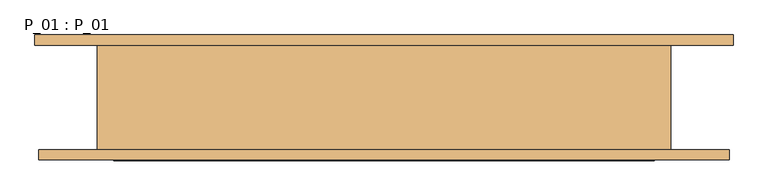
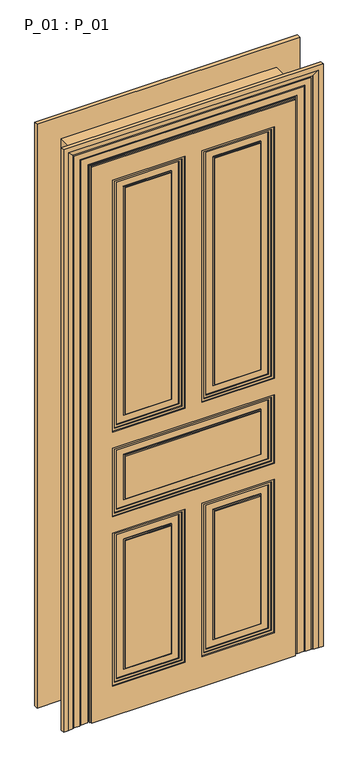
"""IFC4 building model written with IfcOpenShell, lengths in millimetres: door geometry, P_01 : P_01."""

from ifc_helpers import new_model, si_unit, frame, origin, origin_with_axes, place, context, project, spatial, polyline, outline, extrude, faceted_brep, source, transform, mapped, element, save


def p_01_p_01_1a540cf4(model_context):
    return source(origin(), model_context, "Body", "SolidModel", [
        extrude(outline(polyline([(2300.0, 45.0), (1235.0, 45.0), (1235.0, 320.0), (2300.0, 320.0), (2300.0, 45.0)]), holes=[polyline([(2290.0, 55.0), (2290.0, 310.0), (1245.0, 310.0), (1245.0, 55.0), (2290.0, 55.0)])]), frame((0.0, -75.0, 0.0), z_axis=(0.0, 1.0, 0.0), x_axis=(0.0, 0.0, 1.0)), (0.0, 0.0, 1.0), 4.0),
        extrude(outline(polyline([(2300.0, -320.0), (1235.0, -320.0), (1235.0, -45.0), (2300.0, -45.0), (2300.0, -320.0)]), holes=[polyline([(2290.0, -310.0), (2290.0, -55.0), (1245.0, -55.0), (1245.0, -310.0), (2290.0, -310.0)])]), frame((0.0, -75.0, 0.0), z_axis=(0.0, 1.0, 0.0), x_axis=(0.0, 0.0, 1.0)), (0.0, 0.0, 1.0), 4.0),
        extrude(outline(polyline([(780.0, 45.0), (140.0, 45.0), (140.0, 320.0), (780.0, 320.0), (780.0, 45.0)]), holes=[polyline([(770.0, 55.0), (770.0, 310.0), (150.0, 310.0), (150.0, 55.0), (770.0, 55.0)])]), frame((0.0, -75.0, 0.0), z_axis=(0.0, 1.0, 0.0), x_axis=(0.0, 0.0, 1.0)), (0.0, 0.0, 1.0), 4.0),
        extrude(outline(polyline([(780.0, -320.0), (140.0, -320.0), (140.0, -45.0), (780.0, -45.0), (780.0, -320.0)]), holes=[polyline([(770.0, -310.0), (770.0, -55.0), (150.0, -55.0), (150.0, -310.0), (770.0, -310.0)])]), frame((0.0, -75.0, 0.0), z_axis=(0.0, 1.0, 0.0), x_axis=(0.0, 0.0, 1.0)), (0.0, 0.0, 1.0), 4.0),
        extrude(outline(polyline([(740.0, 85.0), (180.0, 85.0), (180.0, 280.0), (740.0, 280.0), (740.0, 85.0)]), holes=[polyline([(735.0, 90.0), (735.0, 275.0), (185.0, 275.0), (185.0, 90.0), (735.0, 90.0)])]), frame((0.0, -75.0, 0.0), z_axis=(0.0, 1.0, 0.0), x_axis=(0.0, 0.0, 1.0)), (0.0, 0.0, 1.0), 4.0),
        extrude(outline(polyline([(740.0, -280.0), (180.0, -280.0), (180.0, -85.0), (740.0, -85.0), (740.0, -280.0)]), holes=[polyline([(735.0, -275.0), (735.0, -90.0), (185.0, -90.0), (185.0, -275.0), (735.0, -275.0)])]), frame((0.0, -75.0, 0.0), z_axis=(0.0, 1.0, 0.0), x_axis=(0.0, 0.0, 1.0)), (0.0, 0.0, 1.0), 4.0),
        extrude(outline(polyline([(1145.0, -320.0), (870.0, -320.0), (870.0, 320.0), (1145.0, 320.0), (1145.0, -320.0)]), holes=[polyline([(1135.0, -310.0), (1135.0, 310.0), (880.0, 310.0), (880.0, -310.0), (1135.0, -310.0)])]), frame((0.0, -75.0, 0.0), z_axis=(0.0, 1.0, 0.0), x_axis=(0.0, 0.0, 1.0)), (0.0, 0.0, 1.0), 4.0),
        extrude(outline(polyline([(1105.0, -280.0), (910.0, -280.0), (910.0, 280.0), (1105.0, 280.0), (1105.0, -280.0)]), holes=[polyline([(1100.0, -275.0), (1100.0, 275.0), (915.0, 275.0), (915.0, -275.0), (1100.0, -275.0)])]), frame((0.0, -75.0, 0.0), z_axis=(0.0, 1.0, 0.0), x_axis=(0.0, 0.0, 1.0)), (0.0, 0.0, 1.0), 4.0),
        extrude(outline(polyline([(2260.0, 85.0), (1275.0, 85.0), (1275.0, 280.0), (2260.0, 280.0), (2260.0, 85.0)]), holes=[polyline([(2255.0, 90.0), (2255.0, 275.0), (1280.0, 275.0), (1280.0, 90.0), (2255.0, 90.0)])]), frame((0.0, -75.0, 0.0), z_axis=(0.0, 1.0, 0.0), x_axis=(0.0, 0.0, 1.0)), (0.0, 0.0, 1.0), 4.0),
        extrude(outline(polyline([(1275.0, -280.0), (1275.0, -85.0), (2260.0, -85.0), (2260.0, -280.0), (1275.0, -280.0)]), holes=[polyline([(1280.0, -275.0), (2255.0, -275.0), (2255.0, -90.0), (1280.0, -90.0), (1280.0, -275.0)])]), frame((0.0, -75.0, 0.0), z_axis=(0.0, 1.0, 0.0), x_axis=(0.0, 0.0, 1.0)), (0.0, 0.0, 1.0), 4.0),
        extrude(outline(polyline([(90.0, -75.0), (90.0, -67.0), (275.0, -67.0), (275.0, -75.0), (90.0, -75.0)])), frame((0.0, 0.0, 185.0), z_axis=(0.0, 0.0, 1.0), x_axis=(1.0, 0.0, 0.0)), (0.0, 0.0, 1.0), 550.0),
        extrude(outline(polyline([(-275.0, -75.0), (-275.0, -67.0), (-90.0, -67.0), (-90.0, -75.0), (-275.0, -75.0)])), frame((0.0, 0.0, 185.0), z_axis=(0.0, 0.0, 1.0), x_axis=(1.0, 0.0, 0.0)), (0.0, 0.0, 1.0), 550.0),
        extrude(outline(polyline([(-275.0, -75.0), (-275.0, -67.0), (275.0, -67.0), (275.0, -75.0), (-275.0, -75.0)])), frame((0.0, 0.0, 915.0), z_axis=(0.0, 0.0, 1.0), x_axis=(1.0, 0.0, 0.0)), (0.0, 0.0, 1.0), 185.0),
        extrude(outline(polyline([(90.0, -75.0), (90.0, -67.0), (275.0, -67.0), (275.0, -75.0), (90.0, -75.0)])), frame((0.0, 0.0, 1280.0), z_axis=(0.0, 0.0, 1.0), x_axis=(1.0, 0.0, 0.0)), (0.0, 0.0, 1.0), 975.0),
        extrude(outline(polyline([(-275.0, -75.0), (-275.0, -67.0), (-90.0, -67.0), (-90.0, -75.0), (-275.0, -75.0)])), frame((0.0, 0.0, 1280.0), z_axis=(0.0, 0.0, 1.0), x_axis=(1.0, 0.0, 0.0)), (0.0, 0.0, 1.0), 975.0),
        extrude(outline(polyline([(2310.0, -35.0), (2310.0, -330.0), (1225.0, -330.0), (1225.0, -35.0), (2310.0, -35.0)]), holes=[polyline([(2300.0, -320.0), (2300.0, -45.0), (1235.0, -45.0), (1235.0, -320.0), (2300.0, -320.0)])]), frame((0.0, -75.0, 0.0), z_axis=(0.0, 1.0, 0.0), x_axis=(0.0, 0.0, 1.0)), (0.0, 0.0, 1.0), 8.0),
        extrude(outline(polyline([(1225.0, 330.0), (2310.0, 330.0), (2310.0, 35.0), (1225.0, 35.0), (1225.0, 330.0)]), holes=[polyline([(2300.0, 45.0), (2300.0, 320.0), (1235.0, 320.0), (1235.0, 45.0), (2300.0, 45.0)])]), frame((0.0, -75.0, 0.0), z_axis=(0.0, 1.0, 0.0), x_axis=(0.0, 0.0, 1.0)), (0.0, 0.0, 1.0), 8.0),
        extrude(outline(polyline([(790.0, -330.0), (130.0, -330.0), (130.0, -35.0), (790.0, -35.0), (790.0, -330.0)]), holes=[polyline([(780.0, -320.0), (780.0, -45.0), (140.0, -45.0), (140.0, -320.0), (780.0, -320.0)])]), frame((0.0, -75.0, 0.0), z_axis=(0.0, 1.0, 0.0), x_axis=(0.0, 0.0, 1.0)), (0.0, 0.0, 1.0), 8.0),
        extrude(outline(polyline([(130.0, 330.0), (790.0, 330.0), (790.0, 35.0), (130.0, 35.0), (130.0, 330.0)]), holes=[polyline([(780.0, 45.0), (780.0, 320.0), (140.0, 320.0), (140.0, 45.0), (780.0, 45.0)])]), frame((0.0, -75.0, 0.0), z_axis=(0.0, 1.0, 0.0), x_axis=(0.0, 0.0, 1.0)), (0.0, 0.0, 1.0), 8.0),
        extrude(outline(polyline([(1155.0, -330.0), (860.0, -330.0), (860.0, 330.0), (1155.0, 330.0), (1155.0, -330.0)]), holes=[polyline([(1145.0, -320.0), (1145.0, 320.0), (870.0, 320.0), (870.0, -320.0), (1145.0, -320.0)])]), frame((0.0, -75.0, 0.0), z_axis=(0.0, 1.0, 0.0), x_axis=(0.0, 0.0, 1.0)), (0.0, 0.0, 1.0), 8.0),
        extrude(outline(polyline([(0.0, 415.0), (2395.0, 415.0), (2395.0, -415.0), (0.0, -415.0), (0.0, 415.0)]), holes=[polyline([(1225.0, -35.0), (1225.0, -330.0), (2310.0, -330.0), (2310.0, -35.0), (1225.0, -35.0)]), polyline([(790.0, -35.0), (130.0, -35.0), (130.0, -330.0), (790.0, -330.0), (790.0, -35.0)]), polyline([(1225.0, 35.0), (2310.0, 35.0), (2310.0, 330.0), (1225.0, 330.0), (1225.0, 35.0)]), polyline([(130.0, 35.0), (790.0, 35.0), (790.0, 330.0), (130.0, 330.0), (130.0, 35.0)]), polyline([(1155.0, 330.0), (860.0, 330.0), (860.0, -330.0), (1155.0, -330.0), (1155.0, 330.0)])]), frame((0.0, -75.0, 0.0), z_axis=(0.0, 1.0, 0.0), x_axis=(0.0, 0.0, 1.0)), (0.0, 0.0, 1.0), 12.0),
        extrude(outline(polyline([(275.0, -85.0), (275.0, -93.0), (90.0, -93.0), (90.0, -85.0), (275.0, -85.0)])), frame((0.0, 0.0, 185.0), z_axis=(0.0, 0.0, 1.0), x_axis=(1.0, 0.0, 0.0)), (0.0, 0.0, 1.0), 550.0),
        extrude(outline(polyline([(-90.0, -85.0), (-90.0, -93.0), (-275.0, -93.0), (-275.0, -85.0), (-90.0, -85.0)])), frame((0.0, 0.0, 185.0), z_axis=(0.0, 0.0, 1.0), x_axis=(1.0, 0.0, 0.0)), (0.0, 0.0, 1.0), 550.0),
        extrude(outline(polyline([(275.0, -85.0), (275.0, -93.0), (-275.0, -93.0), (-275.0, -85.0), (275.0, -85.0)])), frame((0.0, 0.0, 915.0), z_axis=(0.0, 0.0, 1.0), x_axis=(1.0, 0.0, 0.0)), (0.0, 0.0, 1.0), 185.0),
        extrude(outline(polyline([(275.0, -85.0), (275.0, -93.0), (90.0, -93.0), (90.0, -85.0), (275.0, -85.0)])), frame((0.0, 0.0, 1280.0), z_axis=(0.0, 0.0, 1.0), x_axis=(1.0, 0.0, 0.0)), (0.0, 0.0, 1.0), 975.0),
        extrude(outline(polyline([(-90.0, -85.0), (-90.0, -93.0), (-275.0, -93.0), (-275.0, -85.0), (-90.0, -85.0)])), frame((0.0, 0.0, 1280.0), z_axis=(0.0, 0.0, 1.0), x_axis=(1.0, 0.0, 0.0)), (0.0, 0.0, 1.0), 975.0),
        extrude(outline(polyline([(420.0, -75.0), (420.0, -85.0), (-420.0, -85.0), (-420.0, -75.0), (420.0, -75.0)])), origin_with_axes(), (0.0, 0.0, 1.0), 2400.0),
        extrude(outline(polyline([(2300.0, 45.0), (1235.0, 45.0), (1235.0, 320.0), (2300.0, 320.0), (2300.0, 45.0)]), holes=[polyline([(2290.0, 55.0), (2290.0, 310.0), (1245.0, 310.0), (1245.0, 55.0), (2290.0, 55.0)])]), frame((0.0, -89.0, 0.0), z_axis=(0.0, 1.0, 0.0), x_axis=(0.0, 0.0, 1.0)), (0.0, 0.0, 1.0), 4.0),
        extrude(outline(polyline([(2300.0, -320.0), (1235.0, -320.0), (1235.0, -45.0), (2300.0, -45.0), (2300.0, -320.0)]), holes=[polyline([(2290.0, -310.0), (2290.0, -55.0), (1245.0, -55.0), (1245.0, -310.0), (2290.0, -310.0)])]), frame((0.0, -89.0, 0.0), z_axis=(0.0, 1.0, 0.0), x_axis=(0.0, 0.0, 1.0)), (0.0, 0.0, 1.0), 4.0),
        extrude(outline(polyline([(780.0, 45.0), (140.0, 45.0), (140.0, 320.0), (780.0, 320.0), (780.0, 45.0)]), holes=[polyline([(770.0, 55.0), (770.0, 310.0), (150.0, 310.0), (150.0, 55.0), (770.0, 55.0)])]), frame((0.0, -89.0, 0.0), z_axis=(0.0, 1.0, 0.0), x_axis=(0.0, 0.0, 1.0)), (0.0, 0.0, 1.0), 4.0),
        extrude(outline(polyline([(780.0, -320.0), (140.0, -320.0), (140.0, -45.0), (780.0, -45.0), (780.0, -320.0)]), holes=[polyline([(770.0, -310.0), (770.0, -55.0), (150.0, -55.0), (150.0, -310.0), (770.0, -310.0)])]), frame((0.0, -89.0, 0.0), z_axis=(0.0, 1.0, 0.0), x_axis=(0.0, 0.0, 1.0)), (0.0, 0.0, 1.0), 4.0),
        extrude(outline(polyline([(740.0, 85.0), (180.0, 85.0), (180.0, 280.0), (740.0, 280.0), (740.0, 85.0)]), holes=[polyline([(735.0, 90.0), (735.0, 275.0), (185.0, 275.0), (185.0, 90.0), (735.0, 90.0)])]), frame((0.0, -89.0, 0.0), z_axis=(0.0, 1.0, 0.0), x_axis=(0.0, 0.0, 1.0)), (0.0, 0.0, 1.0), 4.0),
        extrude(outline(polyline([(740.0, -280.0), (180.0, -280.0), (180.0, -85.0), (740.0, -85.0), (740.0, -280.0)]), holes=[polyline([(735.0, -275.0), (735.0, -90.0), (185.0, -90.0), (185.0, -275.0), (735.0, -275.0)])]), frame((0.0, -89.0, 0.0), z_axis=(0.0, 1.0, 0.0), x_axis=(0.0, 0.0, 1.0)), (0.0, 0.0, 1.0), 4.0),
        extrude(outline(polyline([(1145.0, -320.0), (870.0, -320.0), (870.0, 320.0), (1145.0, 320.0), (1145.0, -320.0)]), holes=[polyline([(1135.0, -310.0), (1135.0, 310.0), (880.0, 310.0), (880.0, -310.0), (1135.0, -310.0)])]), frame((0.0, -89.0, 0.0), z_axis=(0.0, 1.0, 0.0), x_axis=(0.0, 0.0, 1.0)), (0.0, 0.0, 1.0), 4.0),
        extrude(outline(polyline([(1105.0, -280.0), (910.0, -280.0), (910.0, 280.0), (1105.0, 280.0), (1105.0, -280.0)]), holes=[polyline([(1100.0, -275.0), (1100.0, 275.0), (915.0, 275.0), (915.0, -275.0), (1100.0, -275.0)])]), frame((0.0, -89.0, 0.0), z_axis=(0.0, 1.0, 0.0), x_axis=(0.0, 0.0, 1.0)), (0.0, 0.0, 1.0), 4.0),
        extrude(outline(polyline([(2260.0, 85.0), (1275.0, 85.0), (1275.0, 280.0), (2260.0, 280.0), (2260.0, 85.0)]), holes=[polyline([(2255.0, 90.0), (2255.0, 275.0), (1280.0, 275.0), (1280.0, 90.0), (2255.0, 90.0)])]), frame((0.0, -89.0, 0.0), z_axis=(0.0, 1.0, 0.0), x_axis=(0.0, 0.0, 1.0)), (0.0, 0.0, 1.0), 4.0),
        extrude(outline(polyline([(1275.0, -280.0), (1275.0, -85.0), (2260.0, -85.0), (2260.0, -280.0), (1275.0, -280.0)]), holes=[polyline([(1280.0, -275.0), (2255.0, -275.0), (2255.0, -90.0), (1280.0, -90.0), (1280.0, -275.0)])]), frame((0.0, -89.0, 0.0), z_axis=(0.0, 1.0, 0.0), x_axis=(0.0, 0.0, 1.0)), (0.0, 0.0, 1.0), 4.0),
        extrude(outline(polyline([(2310.0, -35.0), (2310.0, -330.0), (1225.0, -330.0), (1225.0, -35.0), (2310.0, -35.0)]), holes=[polyline([(2300.0, -320.0), (2300.0, -45.0), (1235.0, -45.0), (1235.0, -320.0), (2300.0, -320.0)])]), frame((0.0, -93.0, 0.0), z_axis=(0.0, 1.0, 0.0), x_axis=(0.0, 0.0, 1.0)), (0.0, 0.0, 1.0), 8.0),
        extrude(outline(polyline([(1225.0, 330.0), (2310.0, 330.0), (2310.0, 35.0), (1225.0, 35.0), (1225.0, 330.0)]), holes=[polyline([(2300.0, 45.0), (2300.0, 320.0), (1235.0, 320.0), (1235.0, 45.0), (2300.0, 45.0)])]), frame((0.0, -93.0, 0.0), z_axis=(0.0, 1.0, 0.0), x_axis=(0.0, 0.0, 1.0)), (0.0, 0.0, 1.0), 8.0),
        extrude(outline(polyline([(790.0, -330.0), (130.0, -330.0), (130.0, -35.0), (790.0, -35.0), (790.0, -330.0)]), holes=[polyline([(780.0, -320.0), (780.0, -45.0), (140.0, -45.0), (140.0, -320.0), (780.0, -320.0)])]), frame((0.0, -93.0, 0.0), z_axis=(0.0, 1.0, 0.0), x_axis=(0.0, 0.0, 1.0)), (0.0, 0.0, 1.0), 8.0),
        extrude(outline(polyline([(130.0, 330.0), (790.0, 330.0), (790.0, 35.0), (130.0, 35.0), (130.0, 330.0)]), holes=[polyline([(780.0, 45.0), (780.0, 320.0), (140.0, 320.0), (140.0, 45.0), (780.0, 45.0)])]), frame((0.0, -93.0, 0.0), z_axis=(0.0, 1.0, 0.0), x_axis=(0.0, 0.0, 1.0)), (0.0, 0.0, 1.0), 8.0),
        extrude(outline(polyline([(1155.0, -330.0), (860.0, -330.0), (860.0, 330.0), (1155.0, 330.0), (1155.0, -330.0)]), holes=[polyline([(1145.0, -320.0), (1145.0, 320.0), (870.0, 320.0), (870.0, -320.0), (1145.0, -320.0)])]), frame((0.0, -93.0, 0.0), z_axis=(0.0, 1.0, 0.0), x_axis=(0.0, 0.0, 1.0)), (0.0, 0.0, 1.0), 8.0),
        extrude(outline(polyline([(0.0, 415.0), (2395.0, 415.0), (2395.0, -415.0), (0.0, -415.0), (0.0, 415.0)]), holes=[polyline([(1225.0, -35.0), (1225.0, -330.0), (2310.0, -330.0), (2310.0, -35.0), (1225.0, -35.0)]), polyline([(790.0, -35.0), (130.0, -35.0), (130.0, -330.0), (790.0, -330.0), (790.0, -35.0)]), polyline([(1225.0, 35.0), (2310.0, 35.0), (2310.0, 330.0), (1225.0, 330.0), (1225.0, 35.0)]), polyline([(130.0, 35.0), (790.0, 35.0), (790.0, 330.0), (130.0, 330.0), (130.0, 35.0)]), polyline([(1155.0, 330.0), (860.0, 330.0), (860.0, -330.0), (1155.0, -330.0), (1155.0, 330.0)])]), frame((0.0, -97.0, 0.0), z_axis=(0.0, 1.0, 0.0), x_axis=(0.0, 0.0, 1.0)), (0.0, 0.0, 1.0), 12.0),
        extrude(outline(polyline([(0.0, 420.0), (2400.0, 420.0), (2400.0, -420.0), (0.0, -420.0), (0.0, -415.0), (2395.0, -415.0), (2395.0, 415.0), (0.0, 415.0), (0.0, 420.0)])), frame((0.0, -90.0, 0.0), z_axis=(0.0, 1.0, 0.0), x_axis=(0.0, 0.0, 1.0)), (0.0, 0.0, 1.0), 5.0),
        faceted_brep([(530.0, -80.0, 0.0), (530.0, -96.0, 0.0), (510.0, -96.0, 0.0), (490.0, -92.0291126, 0.0), (490.0, -91.0291126, 0.0), (485.0, -91.0291126, 0.0), (485.0, -90.0291126, 0.0), (461.0, -90.0291126, 0.0), (461.0, -89.0291126, 0.0), (456.0, -89.0291126, 0.0), (456.0, -88.0291126, 0.0), (426.0, -88.0291126, 0.0), (426.0, -80.0, 0.0), (416.0, -80.0, 0.0), (416.0, 80.0, 0.0), (426.0, 80.0, 0.0), (426.0, 88.0291126, 0.0), (456.0, 88.0291126, 0.0), (456.0, 89.0291126, 0.0), (461.0, 89.0291126, 0.0), (461.0, 90.0291126, 0.0), (491.0, 90.0291126, 0.0), (491.0, 91.0291126, 0.0), (496.0, 91.0291126, 0.0), (496.0, 92.0291126, 0.0), (516.0, 96.0, 0.0), (536.0, 96.0, 0.0), (536.0, 80.0, 0.0), (440.0, 80.0, 0.0), (440.0, -80.0, 0.0), (440.0, -80.0, 2420.0), (-440.0, -80.0, 2420.0), (-440.0, -80.0, 0.0), (-530.0, -80.0, 0.0), (-530.0, -80.0, 2510.0), (530.0, -80.0, 2510.0), (440.0, 80.0, 2420.0), (536.0, 80.0, 2516.0), (-536.0, 80.0, 2516.0), (-536.0, 80.0, 0.0), (-440.0, 80.0, 0.0), (-440.0, 80.0, 2420.0), (536.0, 96.0, 2516.0), (516.0, 96.0, 2496.0), (-516.0, 96.0, 2496.0), (-516.0, 96.0, 0.0), (-536.0, 96.0, 0.0), (-536.0, 96.0, 2516.0), (496.0, 92.0291126, 2476.0), (496.0, 91.0291126, 2476.0), (491.0, 91.0291126, 2471.0), (-491.0, 91.0291126, 2471.0), (-491.0, 91.0291126, 0.0), (-496.0, 91.0291126, 0.0), (-496.0, 91.0291126, 2476.0), (491.0, 90.0291126, 2471.0), (461.0, 90.0291126, 2441.0), (-461.0, 90.0291126, 2441.0), (-461.0, 90.0291126, 0.0), (-491.0, 90.0291126, 0.0), (-491.0, 90.0291126, 2471.0), (461.0, 89.0291126, 2441.0), (456.0, 89.0291126, 2436.0), (-456.0, 89.0291126, 2436.0), (-456.0, 89.0291126, 0.0), (-461.0, 89.0291126, 0.0), (-461.0, 89.0291126, 2441.0), (456.0, 88.0291126, 2436.0), (426.0, 88.0291126, 2406.0), (-426.0, 88.0291126, 2406.0), (-426.0, 88.0291126, 0.0), (-456.0, 88.0291126, 0.0), (-456.0, 88.0291126, 2436.0), (426.0, 80.0, 2406.0), (416.0, 80.0, 2396.0), (-416.0, 80.0, 2396.0), (-416.0, 80.0, 0.0), (-426.0, 80.0, 0.0), (-426.0, 80.0, 2406.0), (416.0, -80.0, 2396.0), (426.0, -80.0, 2406.0), (-426.0, -80.0, 2406.0), (-426.0, -80.0, 0.0), (-416.0, -80.0, 0.0), (-416.0, -80.0, 2396.0), (426.0, -88.0291126, 2406.0), (456.0, -88.0291126, 2436.0), (-456.0, -88.0291126, 2436.0), (-456.0, -88.0291126, 0.0), (-426.0, -88.0291126, 0.0), (-426.0, -88.0291126, 2406.0), (456.0, -89.0291126, 2436.0), (461.0, -89.0291126, 2441.0), (-461.0, -89.0291126, 2441.0), (-461.0, -89.0291126, 0.0), (-456.0, -89.0291126, 0.0), (-456.0, -89.0291126, 2436.0), (461.0, -90.0291126, 2441.0), (485.0, -90.0291126, 2465.0), (-485.0, -90.0291126, 2465.0), (-485.0, -90.0291126, 0.0), (-461.0, -90.0291126, 0.0), (-461.0, -90.0291126, 2441.0), (485.0, -91.0291126, 2465.0), (490.0, -91.0291126, 2470.0), (-490.0, -91.0291126, 2470.0), (-490.0, -91.0291126, 0.0), (-485.0, -91.0291126, 0.0), (-485.0, -91.0291126, 2465.0), (490.0, -92.0291126, 2470.0), (510.0, -96.0, 2490.0), (530.0, -96.0, 2510.0), (-530.0, -96.0, 2510.0), (-530.0, -96.0, 0.0), (-510.0, -96.0, 0.0), (-510.0, -96.0, 2490.0), (-496.0, 92.0291126, 0.0), (-490.0, -92.0291126, 0.0), (-490.0, -92.0291126, 2470.0), (-496.0, 92.0291126, 2476.0)], [[[0, 1, 2, 3, 4, 5, 6, 7, 8, 9, 10, 11, 12, 13, 14, 15, 16, 17, 18, 19, 20, 21, 22, 23, 24, 25, 26, 27, 28, 29]], [[29, 30, 31, 32, 33, 34, 35, 0]], [[28, 36, 30, 29]], [[27, 37, 38, 39, 40, 41, 36, 28]], [[26, 42, 37, 27]], [[25, 43, 44, 45, 46, 47, 42, 26]], [[24, 48, 43, 25]], [[23, 49, 48, 24]], [[22, 50, 51, 52, 53, 54, 49, 23]], [[21, 55, 50, 22]], [[20, 56, 57, 58, 59, 60, 55, 21]], [[19, 61, 56, 20]], [[18, 62, 63, 64, 65, 66, 61, 19]], [[17, 67, 62, 18]], [[16, 68, 69, 70, 71, 72, 67, 17]], [[15, 73, 68, 16]], [[14, 74, 75, 76, 77, 78, 73, 15]], [[13, 79, 74, 14]], [[12, 80, 81, 82, 83, 84, 79, 13]], [[11, 85, 80, 12]], [[10, 86, 87, 88, 89, 90, 85, 11]], [[9, 91, 86, 10]], [[8, 92, 93, 94, 95, 96, 91, 9]], [[7, 97, 92, 8]], [[6, 98, 99, 100, 101, 102, 97, 7]], [[5, 103, 98, 6]], [[4, 104, 105, 106, 107, 108, 103, 5]], [[3, 109, 104, 4]], [[2, 110, 109, 3]], [[1, 111, 112, 113, 114, 115, 110, 2]], [[0, 35, 111, 1]], [[34, 33, 113, 112]], [[33, 32, 40, 39, 46, 45, 116, 53, 52, 59, 58, 65, 64, 71, 70, 77, 76, 83, 82, 89, 88, 95, 94, 101, 100, 107, 106, 117, 114, 113]], [[41, 40, 32, 31]], [[78, 77, 70, 69]], [[84, 83, 76, 75]], [[90, 89, 82, 81]], [[115, 114, 117, 118]], [[118, 117, 106, 105]], [[108, 107, 100, 99]], [[102, 101, 94, 93]], [[96, 95, 88, 87]], [[72, 71, 64, 63]], [[66, 65, 58, 57]], [[60, 59, 52, 51]], [[54, 53, 116, 119]], [[119, 116, 45, 44]], [[47, 46, 39, 38]], [[35, 34, 112, 111]], [[36, 41, 31, 30]], [[73, 78, 69, 68]], [[79, 84, 75, 74]], [[85, 90, 81, 80]], [[91, 96, 87, 86]], [[97, 102, 93, 92]], [[103, 108, 99, 98]], [[109, 118, 105, 104]], [[110, 115, 118, 109]], [[42, 47, 38, 37]], [[48, 119, 44, 43]], [[49, 54, 119, 48]], [[55, 60, 51, 50]], [[61, 66, 57, 56]], [[67, 72, 63, 62]]]),
    ])


if __name__ == "__main__":
    model = new_model("IFC4")
    model_context = context("Model", 3, world=origin())
    ifc_project = project(units=[si_unit("LENGTHUNIT", "METRE", prefix="MILLI")], contexts=[model_context])
    site = spatial("IfcSite", under=ifc_project)
    building = spatial("IfcBuilding", under=site)
    placement = place(None, origin())
    p_01_p_01_shape = p_01_p_01_1a540cf4(model_context)
    element("IfcDoor", 1, ObjectType="P_01 : P_01", at=placement, inside=building, context=model_context, shape_type="MappedRepresentation", body=[
        mapped(p_01_p_01_shape, transform((0.0, 0.0, 0.0), x_axis=(1.0, 0.0, 0.0), y_axis=(0.0, 1.0, 0.0), z_axis=(0.0, 0.0, 1.0))),
    ])
    save(model, "model.ifc")
